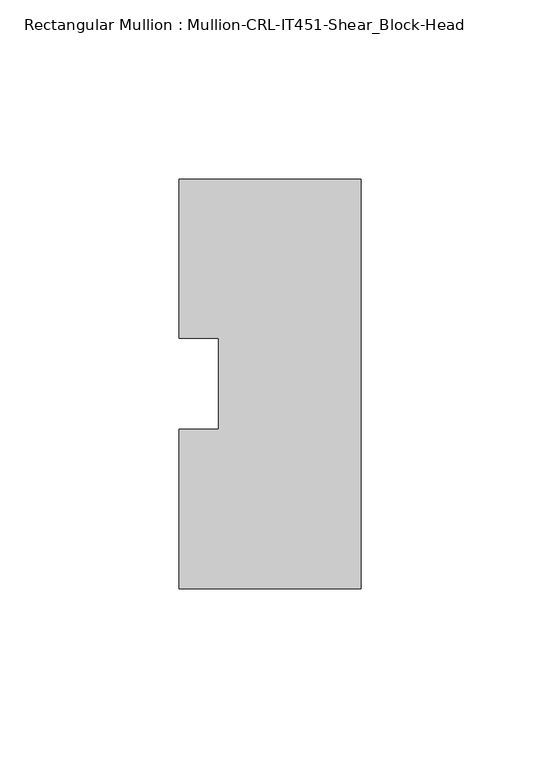
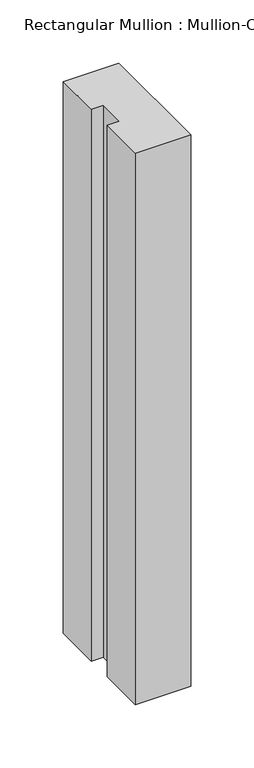
"""IFC4 building model written with IfcOpenShell, lengths in millimetres: member geometry, Rectangular Mullion : Mullion-CRL-IT451-Shear_Block-Head."""

from ifc_helpers import new_model, si_unit, frame, origin, place, context, project, spatial, polyline, outline, extrude, source, transform, mapped, element, save


def rectangular_mullion_mullion_crl_it451_shear_block_head_4b14a851(model_context):
    return source(origin(), model_context, "Body", "SweptSolid", [
        extrude(outline(polyline([(0.0, -57.1909821), (-50.8, -57.1909821), (-50.8, -12.7), (-39.6875, -12.7), (-39.6875, 12.7), (-50.8, 12.7), (-50.8, 57.1090179), (0.0, 57.1090179), (0.0, -57.1909821)])), frame((0.0, 0.0, -533.4), z_axis=(0.0, 0.0, 1.0), x_axis=(1.0, 0.0, 0.0)), (0.0, 0.0, 1.0), 533.4),
    ])


if __name__ == "__main__":
    model = new_model("IFC4")
    model_context = context("Model", 3, world=origin())
    ifc_project = project(units=[si_unit("LENGTHUNIT", "METRE", prefix="MILLI")], contexts=[model_context])
    site = spatial("IfcSite", under=ifc_project)
    building = spatial("IfcBuilding", under=site)
    placement = place(None, origin())
    rectangular_mullion_mullion_crl_it451_shear_block_head_shape = rectangular_mullion_mullion_crl_it451_shear_block_head_4b14a851(model_context)
    element("IfcMember", 1, ObjectType="Rectangular Mullion : Mullion-CRL-IT451-Shear_Block-Head", at=placement, inside=building, context=model_context, shape_type="MappedRepresentation", body=[
        mapped(rectangular_mullion_mullion_crl_it451_shear_block_head_shape, transform((0.0, 0.0, 0.0), x_axis=(1.0, 0.0, 0.0), y_axis=(0.0, 1.0, 0.0), z_axis=(0.0, 0.0, 1.0))),
    ])
    save(model, "model.ifc")
